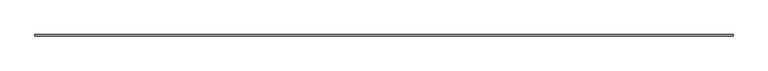
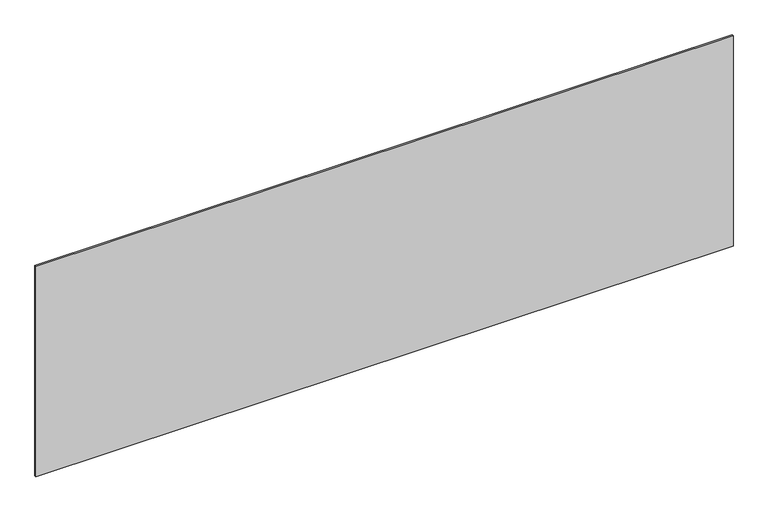
"""IFC4 building model written with IfcOpenShell, lengths in millimetres: plate geometry."""

from ifc_helpers import new_model, si_unit, origin, origin_with_axes, place, context, project, spatial, polyline, outline, extrude, source, transform, mapped, element, save


def plate_c64fcfb8(model_context):
    return source(origin(), model_context, "Body", "SweptSolid", [
        extrude(outline(polyline([(2281.6666667, -5.0), (-2281.6666667, -5.0), (-2281.6666667, 5.0), (2281.6666667, 5.0), (2281.6666667, -5.0)])), origin_with_axes(), (0.0, 0.0, 1.0), 1455.9537374),
    ])


if __name__ == "__main__":
    model = new_model("IFC4")
    model_context = context("Model", 3, world=origin())
    ifc_project = project(units=[si_unit("LENGTHUNIT", "METRE", prefix="MILLI")], contexts=[model_context])
    site = spatial("IfcSite", under=ifc_project)
    building = spatial("IfcBuilding", under=site)
    placement = place(None, origin())
    plate_shape = plate_c64fcfb8(model_context)
    element("IfcPlate", 1, at=placement, inside=building, context=model_context, shape_type="MappedRepresentation", body=[
        mapped(plate_shape, transform((0.0, 0.0, 0.0), x_axis=(1.0, 0.0, 0.0), y_axis=(0.0, 1.0, 0.0), z_axis=(0.0, 0.0, 1.0))),
    ])
    save(model, "model.ifc")
